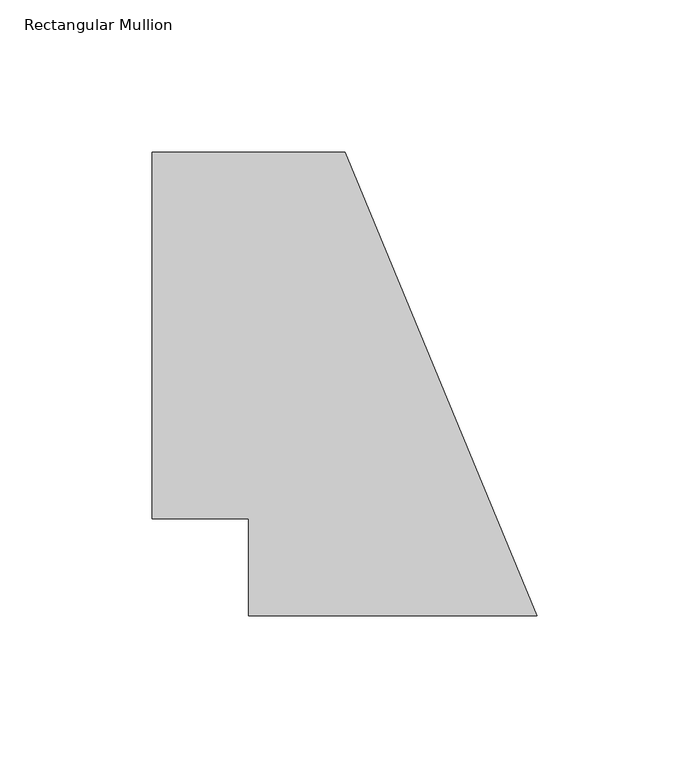
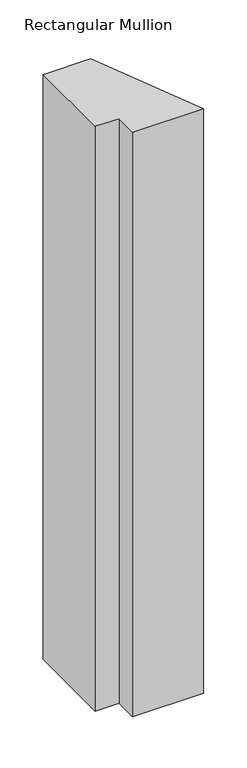
"""IFC4 building model written with IfcOpenShell, lengths in millimetres: member geometry, Rectangular Mullion."""

from ifc_helpers import new_model, si_unit, frame, origin, place, context, project, spatial, polyline, outline, extrude, source, transform, mapped, element, save


def rectangular_mullion_ea281450(model_context):
    return source(origin(), model_context, "Body", "SweptSolid", [
        extrude(outline(polyline([(-126.6261469, 152.4), (-63.1261469, 152.4), (0.0, 0.0), (-94.8761469, 0.0), (-94.8761469, 31.75), (-126.6261469, 31.75), (-126.6261469, 152.4)])), frame((0.0, 0.0, -825.4868072), z_axis=(0.0, 0.0, 1.0), x_axis=(1.0, 0.0, 0.0)), (0.0, 0.0, 1.0), 825.4868072),
    ])


if __name__ == "__main__":
    model = new_model("IFC4")
    model_context = context("Model", 3, world=origin())
    ifc_project = project(units=[si_unit("LENGTHUNIT", "METRE", prefix="MILLI")], contexts=[model_context])
    site = spatial("IfcSite", under=ifc_project)
    building = spatial("IfcBuilding", under=site)
    placement = place(None, origin())
    rectangular_mullion_shape = rectangular_mullion_ea281450(model_context)
    element("IfcMember", 1, ObjectType="Rectangular Mullion", at=placement, inside=building, context=model_context, shape_type="MappedRepresentation", body=[
        mapped(rectangular_mullion_shape, transform((0.0, 0.0, 0.0), x_axis=(1.0, 0.0, 0.0), y_axis=(0.0, 1.0, 0.0), z_axis=(0.0, 0.0, 1.0))),
    ])
    save(model, "model.ifc")
